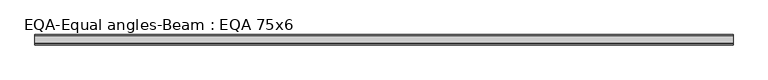
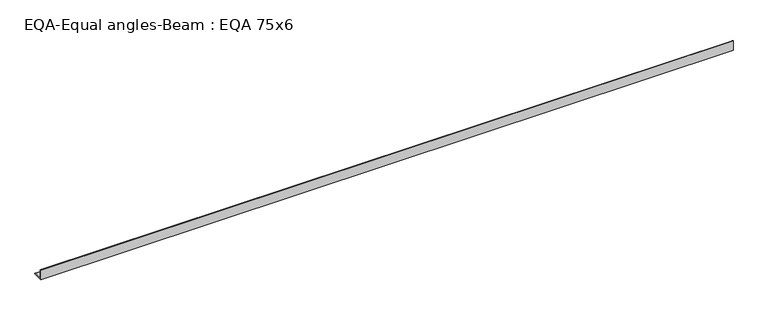
"""IFC4 building model written with IfcOpenShell, lengths in millimetres: beam geometry, EQA-Equal angles-Beam : EQA 75x6."""

from ifc_helpers import new_model, si_unit, point, frame, frame_2d, origin, place, context, project, spatial, polyline, circle_curve, trimmed, segment, composite_curve, outline, extrude, source, transform, mapped, element, save


def eqa_equal_angles_beam_eqa_75x6_b9de5058(model_context):
    return source(origin(), model_context, "Body", "SweptSolid", [
        extrude(outline(composite_curve([segment(polyline([(-20.5, -20.5), (-20.5, 54.5), (-19.0, 54.5)]), True, "CONTINUOUS"), segment(trimmed(circle_curve(frame_2d((-19.0, 50.0)), 4.5), [point((-19.0, 54.5))], [point((-14.5, 50.0))], False, "CARTESIAN"), True, "CONTINUOUS"), segment(polyline([(-14.5, 50.0), (-14.5, -5.5)]), True, "CONTINUOUS"), segment(trimmed(circle_curve(frame_2d((-5.5, -5.5)), 9.0), [point((-14.5, -5.5))], [point((-5.5, -14.5))], True, "CARTESIAN"), True, "CONTINUOUS"), segment(polyline([(-5.5, -14.5), (50.0, -14.5)]), True, "CONTINUOUS"), segment(trimmed(circle_curve(frame_2d((50.0, -19.0)), 4.5), [point((50.0, -14.5))], [point((54.5, -19.0))], False, "CARTESIAN"), True, "CONTINUOUS"), segment(polyline([(54.5, -19.0), (54.5, -20.5), (-20.5, -20.5)]), True, "CONTINUOUS")], self_intersect=False)), frame((-2543.0263503, 0.0, 0.0), z_axis=(1.0, 0.0, 0.0), x_axis=(0.0, 1.0, 0.0)), (0.0, 0.0, 1.0), 5078.0060521),
    ])


if __name__ == "__main__":
    model = new_model("IFC4")
    model_context = context("Model", 3, world=origin())
    ifc_project = project(units=[si_unit("LENGTHUNIT", "METRE", prefix="MILLI")], contexts=[model_context])
    site = spatial("IfcSite", under=ifc_project)
    building = spatial("IfcBuilding", under=site)
    placement = place(None, origin())
    eqa_equal_angles_beam_eqa_75x6_shape = eqa_equal_angles_beam_eqa_75x6_b9de5058(model_context)
    element("IfcBeam", 1, ObjectType="EQA-Equal angles-Beam : EQA 75x6", at=placement, inside=building, context=model_context, shape_type="MappedRepresentation", body=[
        mapped(eqa_equal_angles_beam_eqa_75x6_shape, transform((0.0, 0.0, 0.0), x_axis=(1.0, 0.0, 0.0), y_axis=(0.0, 1.0, 0.0), z_axis=(0.0, 0.0, 1.0))),
    ])
    save(model, "model.ifc")
